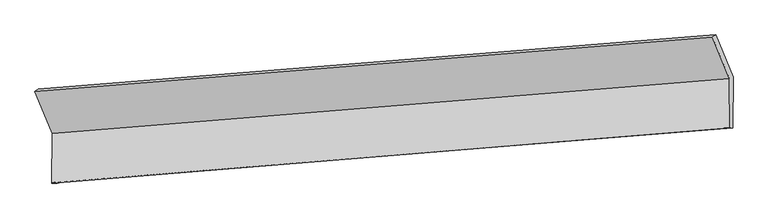
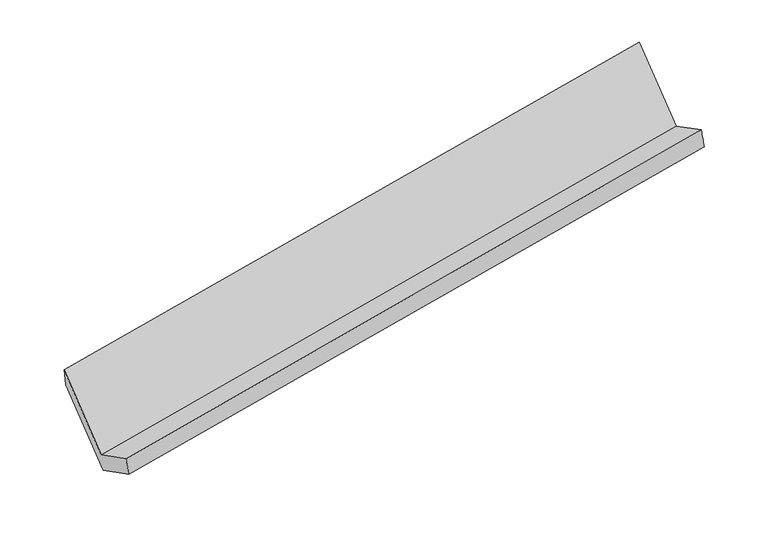
"""IFC4 building model written with IfcOpenShell, lengths in millimetres: proxy geometry."""

from ifc_helpers import new_model, si_unit, frame, origin, place, context, project, spatial, source, transform, mapped, element, save
from ifc_brep_helpers import plane_surface, spline_surface, advanced_brep


def generic_models_af480cbb(model_context):
    return source(origin(), model_context, "Body", "AdvancedBrep", [
        advanced_brep(
        [(-5368.1891354, -1388.4767087, 1902.3181811), (-5245.0086183, -1689.5023111, 1320.920049), (-417.7793519, -1296.4474413, 2174.5292934), (-539.1108486, -999.9404306, 2747.2002579), (-5248.0614827, -2042.7211746, 1503.1563892), (-420.8322163, -1649.6663047, 2356.7656336), (-5224.2834757, -2036.9699954, 1361.2126071), (-395.205189, -1648.4337173, 2206.094684), (-5221.1505263, -1674.4852326, 1174.195708), (-392.0722395, -1285.9489546, 2019.0777849), (-5344.8081826, -1372.2936087, 1757.8458833), (-515.7298958, -983.7573306, 2602.7279602)],
        [
            (0, 1),
            (1, 2),
            (2, 3),
            (3, 0),
            (1, 4),
            (4, 5),
            (5, 2),
            (4, 6),
            (6, 7),
            (7, 5),
            (6, 8),
            (8, 9),
            (9, 7),
            (8, 10),
            (10, 11),
            (11, 9),
            (10, 0),
            (3, 11),
        ],
        [
            plane_surface(frame((-5306.5988768, -1538.9895099, 1611.619115), z_axis=(-0.008679884775909155, -0.8887453042754516, 0.4583191505148047), x_axis=(0.1849020386988212, -0.45185918117219914, -0.8727167446975047))),
            plane_surface(frame((-5246.5350505, -1866.1117429, 1412.0382191), z_axis=(-0.1908934542701721, 0.4513745129703602, 0.8716769689268911), x_axis=(-0.007680728011210665, -0.888666385380945, 0.45848998016443465))),
            spline_surface(1, 1, [[(-5248.0614827, -2042.7211746, 1503.1563892), (-420.8322163, -1649.6663047, 2356.7656336)], [(-5224.2834757, -2036.9699954, 1361.2126071), (-395.205189, -1648.4337173, 2206.094684)]], [2, 2], [2, 2], [0.0, 1.0], [0.0, 1.0]),
            plane_surface(frame((-5222.717001, -1855.727614, 1267.7041575), z_axis=(0.18889712156621735, -0.45153793403982073, -0.8720271621842113), x_axis=(0.007680728011254348, 0.8886663853809443, -0.45848998016443526))),
            plane_surface(frame((-5282.9793545, -1523.3894207, 1466.0207956), z_axis=(0.008679884775911403, 0.8887453042754457, -0.4583191505148159), x_axis=(-0.18490203869881938, 0.4518591811722106, 0.872716744697499))),
            plane_surface(frame((-5356.498659, -1380.3851587, 1830.0820322), z_axis=(-0.09640165185580335, 0.9907621037444988, 0.09537911355872114), x_axis=(-0.1587904896232808, -0.10990665745617152, 0.9811758797748804))),
            plane_surface(frame((-446.7882902, -1310.6990299, 2351.0659357), z_axis=(0.9827269419845139, 0.07807263210829136, 0.16778683385012502), x_axis=(-0.18490203869881938, 0.4518591811722106, 0.872716744697499))),
            plane_surface(frame((-5275.2502368, -1700.7415052, 1503.2748029), z_axis=(-0.9827269419845133, -0.0780726321083512, -0.16778683385010015), x_axis=(0.1587904896232502, 0.10990665745617166, -0.9811758797748853))),
        ],
        [
            (0, [[1, 2, 3, 4]]),
            (1, [[5, 6, 7, -2]]),
            (2, [[8, 9, 10, -6]]),
            (3, [[11, 12, 13, -9]]),
            (4, [[14, 15, 16, -12]]),
            (5, [[17, -4, 18, -15]]),
            (6, [[-16, -18, -3, -7, -10, -13]]),
            (7, [[-17, -14, -11, -8, -5, -1]]),
        ],
    ),
    ])


if __name__ == "__main__":
    model = new_model("IFC4")
    model_context = context("Model", 3, world=origin())
    ifc_project = project(units=[si_unit("LENGTHUNIT", "METRE", prefix="MILLI")], contexts=[model_context])
    site = spatial("IfcSite", under=ifc_project)
    building = spatial("IfcBuilding", under=site)
    placement = place(None, origin())
    generic_models_shape = generic_models_af480cbb(model_context)
    element("IfcBuildingElementProxy", 1, Name="Generic Models", at=placement, inside=building, context=model_context, shape_type="MappedRepresentation", body=[
        mapped(generic_models_shape, transform((0.0, 0.0, 0.0), x_axis=(1.0, 0.0, 0.0), y_axis=(0.0, 1.0, 0.0), z_axis=(0.0, 0.0, 1.0))),
    ])
    save(model, "model.ifc")
